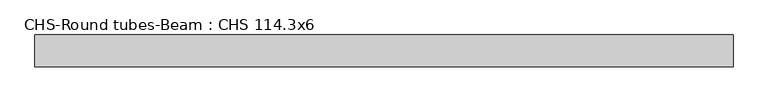
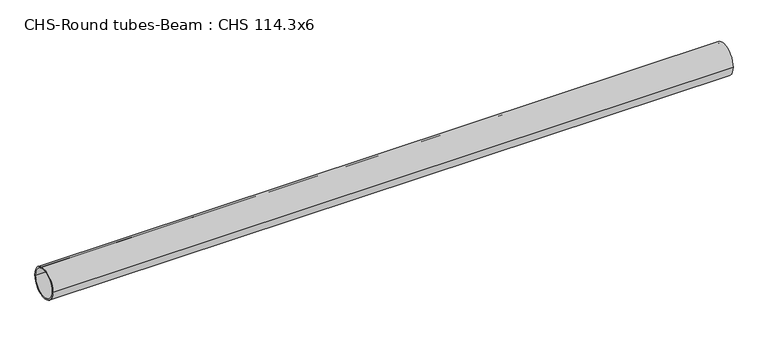
"""IFC4 building model written with IfcOpenShell, lengths in millimetres: beam geometry, CHS-Round tubes-Beam : CHS 114.3x6."""

from ifc_helpers import new_model, si_unit, point, frame, origin, origin_2d, place, context, project, spatial, circle_curve, trimmed, segment, composite_curve, outline, extrude, source, transform, mapped, element, save


def chs_round_tubes_beam_chs_114_3x6_fd95ef7d(model_context):
    return source(origin(), model_context, "Body", "SweptSolid", [
        extrude(outline(composite_curve([segment(trimmed(circle_curve(origin_2d(), 57.15), [point((57.15, 0.0))], [point((-57.15, 0.0))], False, "CARTESIAN"), True, "CONTINUOUS"), segment(trimmed(circle_curve(origin_2d(), 57.15), [point((-57.15, 0.0))], [point((57.15, 0.0))], False, "CARTESIAN"), True, "CONTINUOUS")], self_intersect=False), holes=[composite_curve([segment(trimmed(circle_curve(origin_2d(), 51.15), [point((51.15, 0.0))], [point((-51.15, 0.0))], True, "CARTESIAN"), True, "CONTINUOUS"), segment(trimmed(circle_curve(origin_2d(), 51.15), [point((-51.15, 0.0))], [point((51.15, 0.0))], True, "CARTESIAN"), True, "CONTINUOUS")], self_intersect=False)]), frame((-1212.7105952, 0.0, 0.0), z_axis=(1.0, 0.0, 0.0), x_axis=(0.0, 1.0, 0.0)), (0.0, 0.0, 1.0), 2503.2569668),
    ])


if __name__ == "__main__":
    model = new_model("IFC4")
    model_context = context("Model", 3, world=origin())
    ifc_project = project(units=[si_unit("LENGTHUNIT", "METRE", prefix="MILLI")], contexts=[model_context])
    site = spatial("IfcSite", under=ifc_project)
    building = spatial("IfcBuilding", under=site)
    placement = place(None, origin())
    chs_round_tubes_beam_chs_114_3x6_shape = chs_round_tubes_beam_chs_114_3x6_fd95ef7d(model_context)
    element("IfcBeam", 1, ObjectType="CHS-Round tubes-Beam : CHS 114.3x6", at=placement, inside=building, context=model_context, shape_type="MappedRepresentation", body=[
        mapped(chs_round_tubes_beam_chs_114_3x6_shape, transform((0.0, 0.0, 0.0), x_axis=(1.0, 0.0, 0.0), y_axis=(0.0, 1.0, 0.0), z_axis=(0.0, 0.0, 1.0))),
    ])
    save(model, "model.ifc")
